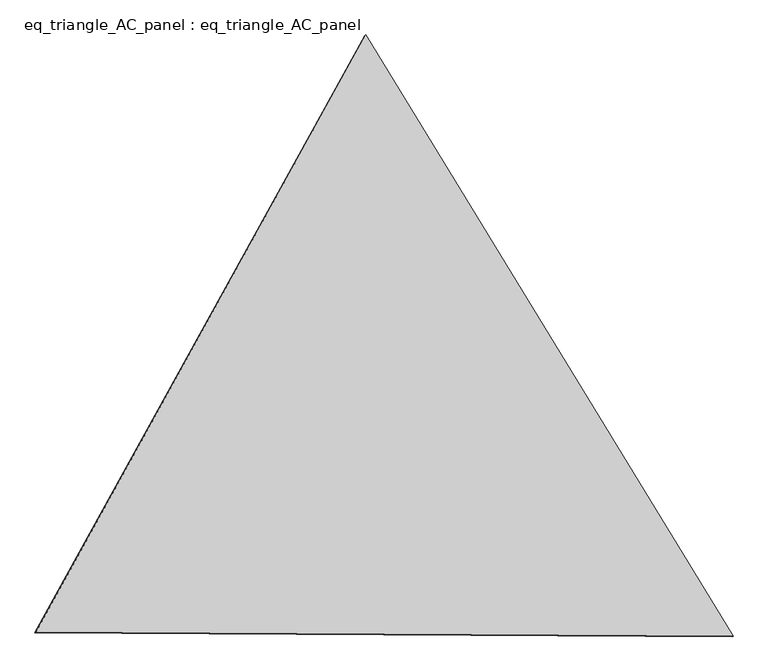
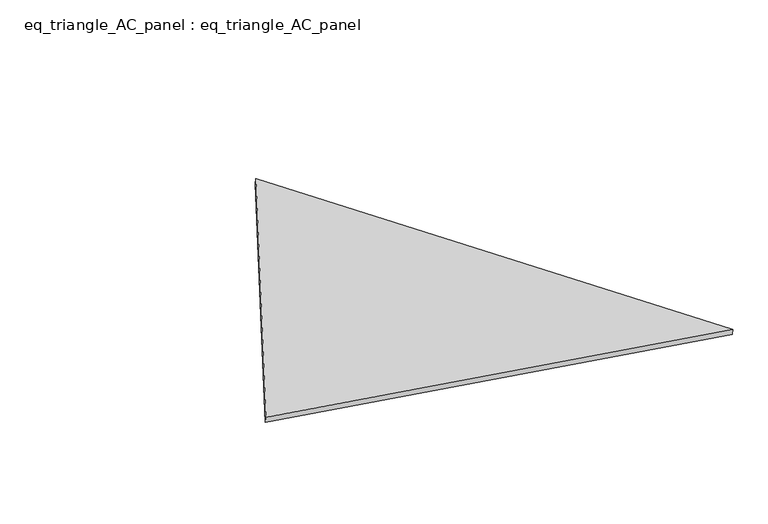
"""IFC4 building model written with IfcOpenShell, lengths in millimetres: proxy geometry, eq_triangle_AC_panel : eq_triangle_AC_panel."""

from ifc_helpers import new_model, si_unit, frame, origin, place, context, project, spatial, polyline, outline, extrude, source, transform, mapped, element, save


def eq_triangle_ac_panel_eq_triangle_ac_panel_345e4b1c(model_context):
    return source(origin(), model_context, "Body", "SweptSolid", [
        extrude(outline(polyline([(-2032.8496158, 1173.1636043), (2091.2878292, 1173.1636044), (-58.4382137, -2346.3272086), (-2032.8496158, 1173.1636043)])), frame((0.0038051, 527.9290861, 89.8240019), z_axis=(0.14526328518058193, 0.08386570281802176, 0.9858321976225896), x_axis=(0.5211049784318832, -0.8534823605082432, -0.004178726454763951)), (0.0, 0.0, 1.0), 43.8306294),
    ])


if __name__ == "__main__":
    model = new_model("IFC4")
    model_context = context("Model", 3, world=origin())
    ifc_project = project(units=[si_unit("LENGTHUNIT", "METRE", prefix="MILLI")], contexts=[model_context])
    site = spatial("IfcSite", under=ifc_project)
    building = spatial("IfcBuilding", under=site)
    placement = place(None, origin())
    eq_triangle_ac_panel_eq_triangle_ac_panel_shape = eq_triangle_ac_panel_eq_triangle_ac_panel_345e4b1c(model_context)
    element("IfcBuildingElementProxy", 1, Name="eq_triangle_AC_panel : eq_triangle_AC_panel", ObjectType="eq_triangle_AC_panel : eq_triangle_AC_panel", at=placement, inside=building, context=model_context, shape_type="MappedRepresentation", body=[
        mapped(eq_triangle_ac_panel_eq_triangle_ac_panel_shape, transform((0.0, 0.0, 0.0), x_axis=(1.0, 0.0, 0.0), y_axis=(0.0, 1.0, 0.0), z_axis=(0.0, 0.0, 1.0))),
    ])
    save(model, "model.ifc")
